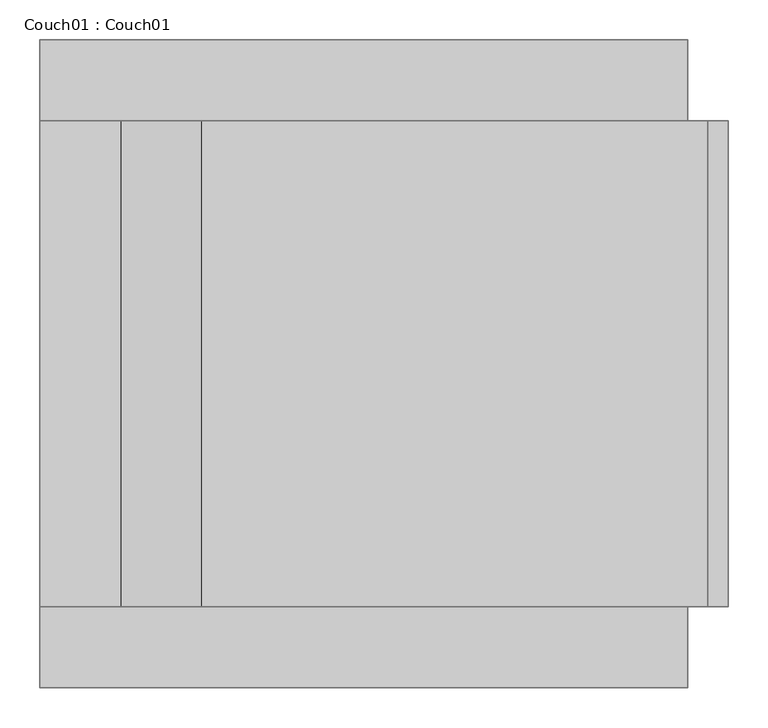
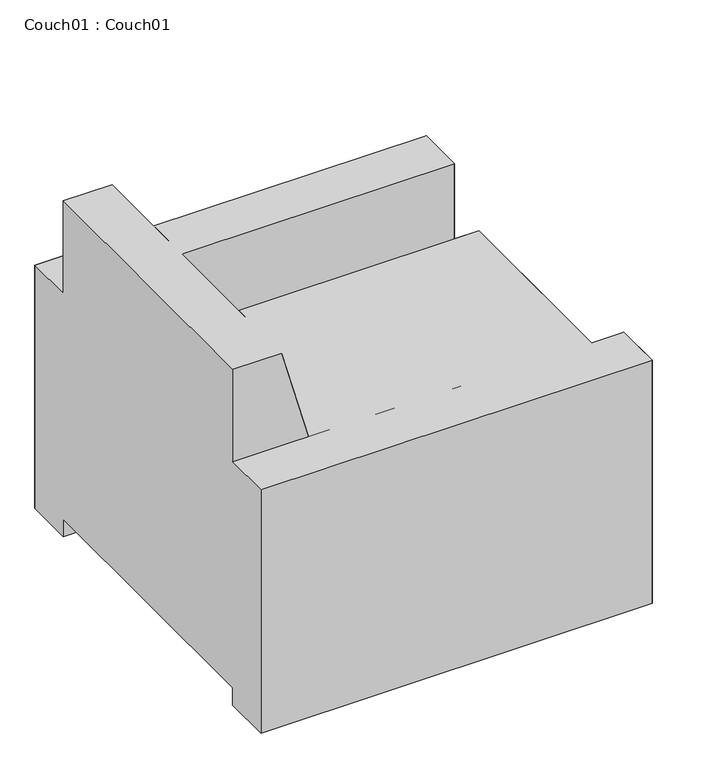
"""IFC4 building model written with IfcOpenShell, lengths in millimetres: furniture geometry, Couch01 : Couch01."""

from ifc_helpers import new_model, si_unit, origin, place, context, project, spatial, triangles, source, transform, mapped, element, save


def couch01_couch01_25cef168(model_context):
    return source(origin(), model_context, "Body", "Tessellation", [
        triangles([(0.0, -304.8, 533.3999637), (812.8000242, -304.8, 533.3999637), (0.0, -406.4000121, 533.3999637), (812.8000242, -406.4000121, 533.3999637), (812.8000242, 304.8, 533.4000363), (0.0, 304.8, 533.4000363), (812.8000242, 406.4000121, 533.4000363), (0.0, 406.4000121, 533.4000363), (0.0, 304.7999818, 736.6000242), (101.600003, 304.7999818, 736.6000242), (0.0, -304.8000363, 736.5999516), (101.600003, -304.8000363, 736.5999516), (203.2000061, -304.7999818, 368.2999758), (203.2000061, 304.8000363, 368.3000121), (863.5999758, -304.7999818, 368.2999758), (863.5999758, 304.8000363, 368.3000121)], [[1, 3, 2], [4, 2, 3], [5, 7, 6], [8, 6, 7], [9, 11, 10], [12, 10, 11], [13, 15, 14], [16, 14, 15]], closed=False),
        triangles([(812.8000242, 304.7999818, 533.4000363), (812.8000242, 406.3999758, 533.4000363), (812.8000242, 304.8000363, 2.66e-05), (812.8000242, 406.4000484, 3.55e-05), (812.8000242, -406.4000121, 533.3999637), (812.8000242, -304.8000363, 533.3999637), (812.8000242, -406.3999758, -3.55e-05), (812.8000242, -304.7999818, -2.66e-05), (863.5999758, -304.8, 368.2999758), (863.5999758, 304.8, 368.3000121), (863.5999758, -304.8, 266.6999818), (863.5999758, 304.8, 266.7000182), (838.2, -304.8, 266.6999818), (838.2, 304.8, 266.7000182), (838.2, -304.7999818, 38.0999727), (838.2, 304.8000363, 38.1000273), (0.0, 304.7999818, 736.6000242), (0.0, 304.8000363, 38.1000273), (0.0, -304.8000363, 736.5999516), (0.0, -304.7999818, 38.0999727), (0.0, -406.4000121, 533.3999637), (0.0, -304.8000363, 533.3999637), (0.0, -406.3999758, -3.55e-05), (0.0, -304.7999818, -2.66e-05), (0.0, 304.7999818, 533.4000363), (0.0, 406.3999758, 533.4000363), (0.0, 304.8000363, 2.66e-05), (0.0, 406.4000484, 3.55e-05), (101.600003, 304.7999818, 736.6000242), (203.2000061, 304.8, 368.3000121), (101.600003, -304.8000363, 736.5999516), (203.2000061, -304.8, 368.2999758)], [[1, 3, 2], [4, 2, 3], [5, 7, 6], [8, 6, 7], [9, 11, 10], [12, 10, 11], [13, 15, 14], [16, 14, 15], [17, 19, 18], [20, 18, 19], [21, 23, 22], [24, 22, 23], [25, 27, 26], [28, 26, 27], [29, 31, 30], [32, 30, 31]], closed=False),
        triangles([(0.0, -406.4000121, 533.3999637), (812.8000242, -406.4000121, 533.3999637), (0.0, -406.3999758, -3.55e-05), (812.8000242, -406.3999758, -3.55e-05), (812.8000242, -304.8000363, 533.3999637), (812.8000242, -304.7999818, -2.66e-05), (0.0, -304.8000363, 533.3999637), (0.0, -304.7999818, -2.66e-05), (812.8000242, 304.7999818, 533.4000363), (812.8000242, 304.8000363, 2.66e-05), (0.0, 304.7999818, 533.4000363), (0.0, 304.8000363, 2.66e-05), (0.0, 406.4000484, 3.55e-05), (0.0, 406.3999758, 533.4000363), (812.8000242, 406.4000484, 3.55e-05), (812.8000242, 406.3999758, 533.4000363), (812.8000242, -304.8, 368.2999758), (863.5999758, -304.8, 368.2999758), (812.8000242, -304.8, 266.6999818), (863.5999758, -304.8, 266.6999818), (838.2, -304.8, 266.6999818), (812.8000242, -304.7999818, 38.0999727), (838.2, -304.7999818, 38.0999727), (812.8000242, 304.8, 266.7000182), (838.2, 304.8, 266.7000182), (812.8000242, 304.8000363, 38.1000273), (838.2, 304.8000363, 38.1000273), (812.8000242, 304.8, 368.3000121), (863.5999758, 304.8, 368.3000121), (863.5999758, 304.8, 266.7000182), (101.600003, -304.8000363, 736.5999516), (203.2000061, -304.8, 368.2999758), (0.0, -304.8000363, 736.5999516), (0.0, -304.8, 368.2999758), (0.0, 304.7999818, 736.6000242), (101.600003, 304.7999818, 736.6000242), (0.0, 304.8, 368.3000121), (203.2000061, 304.8, 368.3000121)], [[1, 3, 2], [4, 2, 3], [5, 7, 6], [8, 6, 7], [9, 11, 10], [12, 10, 11], [13, 15, 14], [16, 14, 15], [17, 19, 18], [20, 18, 19], [19, 22, 21], [23, 21, 22], [24, 26, 25], [27, 25, 26], [28, 24, 29], [30, 29, 24], [31, 33, 32], [34, 32, 33], [35, 37, 36], [38, 36, 37]], closed=False),
    ])


if __name__ == "__main__":
    model = new_model("IFC4")
    model_context = context("Model", 3, world=origin())
    ifc_project = project(units=[si_unit("LENGTHUNIT", "METRE", prefix="MILLI")], contexts=[model_context])
    site = spatial("IfcSite", under=ifc_project)
    building = spatial("IfcBuilding", under=site)
    placement = place(None, origin())
    couch01_couch01_shape = couch01_couch01_25cef168(model_context)
    element("IfcFurniture", 1, ObjectType="Couch01 : Couch01", at=placement, inside=building, context=model_context, shape_type="MappedRepresentation", body=[
        mapped(couch01_couch01_shape, transform((0.0, 0.0, 0.0), x_axis=(1.0, 0.0, 0.0), y_axis=(0.0, 1.0, 0.0), z_axis=(0.0, 0.0, 1.0))),
    ])
    save(model, "model.ifc")
